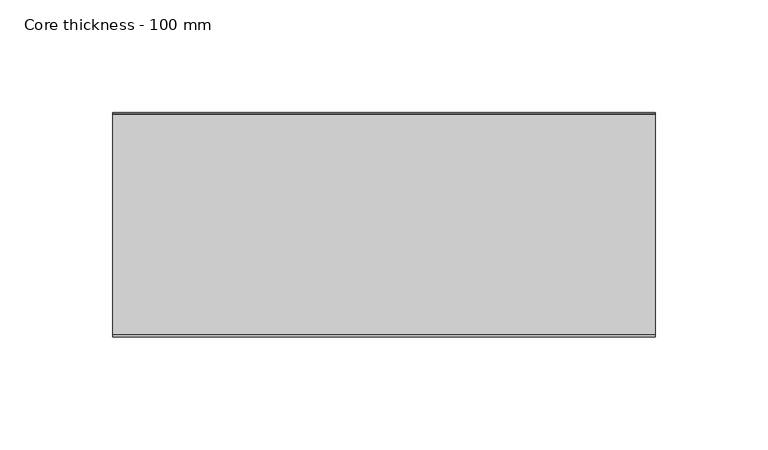
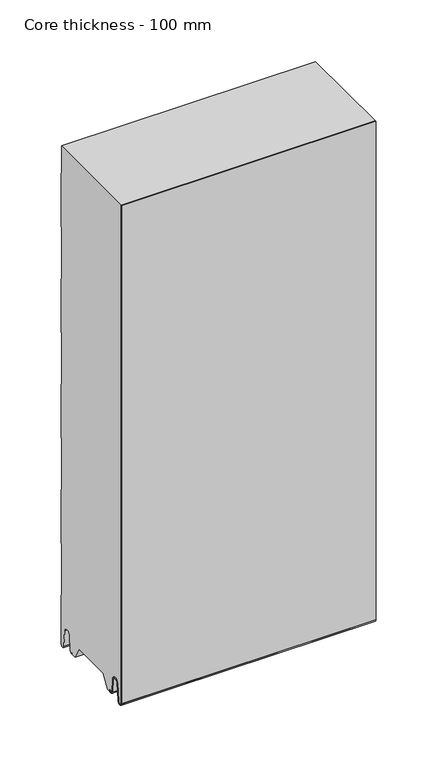
"""IFC4 building model written with IfcOpenShell, lengths in millimetres: plate geometry, Core thickness - 100 mm."""

from ifc_helpers import new_model, si_unit, frame, origin, place, context, project, spatial, polyline, circle_curve, source, transform, mapped, element, save
from ifc_brep_helpers import plane_surface, cylinder_surface, revolved_surface, advanced_brep


def core_thickness_100_mm_a18b3cf9(model_context):
    return source(origin(), model_context, "Body", "AdvancedBrep", [
        advanced_brep(
        [(119.9999998, -99.9996949, 3.0900682), (119.9999998, -93.81449, 2.7875612), (119.9999998, -92.197116, 19.2828169), (119.9999998, -89.1776715, 21.9898782), (119.9999998, -86.1582271, 19.2828169), (119.9999998, -84.7725998, 5.1510966), (119.9999998, -80.3830995, 5.365779), (119.9999998, -81.1830995, 5.365779), (119.9999998, -83.9764178, 5.2291629), (119.9999998, -85.3620451, 19.3608832), (119.9999998, -89.1776715, 22.7899182), (119.9999998, -92.9932979, 19.3608832), (119.9999998, -94.6106719, 2.8656275), (119.9999998, -99.1996949, 3.0900682), (119.9999998, -99.2, 500.0), (119.9999998, -99.9996949, 500.0), (-119.9999998, -99.1996949, 3.0900682), (-119.9999998, -94.6106719, 2.8656275), (-119.9999998, -92.9932979, 19.3608832), (-119.9999998, -89.1776715, 22.7899182), (-119.9999998, -85.3620451, 19.3608832), (-119.9999998, -83.9764178, 5.2291629), (-119.9999998, -81.1830995, 5.365779), (-119.9999998, -80.3830995, 5.365779), (-119.9999998, -84.7725998, 5.1510966), (-119.9999998, -86.1582271, 19.2828169), (-119.9999998, -89.1776715, 21.9898782), (-119.9999998, -92.197116, 19.2828169), (-119.9999998, -93.81449, 2.7875612), (-119.9999998, -99.9996949, 3.0900682), (-119.9999998, -99.9996949, 500.0), (-119.9999998, -99.2, 500.0)],
        [
            (0, 1, circle_curve(frame((119.9999998, -96.8996949, 3.0900682), z_axis=(1.0, 0.0, 0.0), x_axis=(0.0, 0.0, -1.0)), 3.1)),
            (1, 2),
            (2, 3, circle_curve(frame((119.9999998, -89.2114338, 18.9900682), z_axis=(-1.0, 0.0, 0.0), x_axis=(0.0, 0.0, -1.0)), 3.0)),
            (3, 4, circle_curve(frame((119.9999998, -89.1439093, 18.9900682), z_axis=(-1.0, 0.0, 0.0), x_axis=(0.0, 0.0, -1.0)), 3.0)),
            (4, 5),
            (5, 6, circle_curve(frame((119.9999998, -82.5830995, 5.365779), z_axis=(1.0, 0.0, 0.0), x_axis=(0.0, 0.0, -1.0)), 2.2)),
            (6, 7),
            (7, 8, circle_curve(frame((119.9999998, -82.5830995, 5.365779), z_axis=(-1.0, 0.0, 0.0), x_axis=(0.0, 0.0, -1.0)), 1.4)),
            (8, 9),
            (9, 10, circle_curve(frame((119.9999998, -89.1439093, 18.9900682), z_axis=(1.0, 0.0, 0.0), x_axis=(0.0, 0.0, -1.0)), 3.8)),
            (10, 11, circle_curve(frame((119.9999998, -89.2114338, 18.9900682), z_axis=(1.0, 0.0, 0.0), x_axis=(0.0, 0.0, -1.0)), 3.8)),
            (11, 12),
            (12, 13, circle_curve(frame((119.9999998, -96.8996949, 3.0900682), z_axis=(-1.0, 0.0, 0.0), x_axis=(0.0, 0.0, -1.0)), 2.3)),
            (13, 14),
            (14, 15),
            (15, 0),
            (16, 17, circle_curve(frame((-119.9999998, -96.8996949, 3.0900682), z_axis=(1.0, 0.0, 0.0), x_axis=(0.0, 0.0, -1.0)), 2.3)),
            (17, 18),
            (18, 19, circle_curve(frame((-119.9999998, -89.2114338, 18.9900682), z_axis=(-1.0, 0.0, 0.0), x_axis=(0.0, 0.0, -1.0)), 3.8)),
            (19, 20, circle_curve(frame((-119.9999998, -89.1439093, 18.9900682), z_axis=(-1.0, 0.0, 0.0), x_axis=(0.0, 0.0, -1.0)), 3.8)),
            (20, 21),
            (21, 22, circle_curve(frame((-119.9999998, -82.5830995, 5.365779), z_axis=(1.0, 0.0, 0.0), x_axis=(0.0, 0.0, -1.0)), 1.4)),
            (22, 23),
            (23, 24, circle_curve(frame((-119.9999998, -82.5830995, 5.365779), z_axis=(-1.0, 0.0, 0.0), x_axis=(0.0, 0.0, -1.0)), 2.2)),
            (24, 25),
            (25, 26, circle_curve(frame((-119.9999998, -89.1439093, 18.9900682), z_axis=(1.0, 0.0, 0.0), x_axis=(0.0, 0.0, -1.0)), 3.0)),
            (26, 27, circle_curve(frame((-119.9999998, -89.2114338, 18.9900682), z_axis=(1.0, 0.0, 0.0), x_axis=(0.0, 0.0, -1.0)), 3.0)),
            (27, 28),
            (28, 29, circle_curve(frame((-119.9999998, -96.8996949, 3.0900682), z_axis=(-1.0, 0.0, 0.0), x_axis=(0.0, 0.0, -1.0)), 3.1)),
            (29, 30),
            (30, 31),
            (31, 16),
            (13, 16),
            (31, 14),
            (12, 17),
            (11, 18),
            (10, 19),
            (9, 20),
            (8, 21),
            (7, 22),
            (6, 23),
            (5, 24),
            (4, 25),
            (3, 26),
            (2, 27),
            (1, 28),
            (0, 29),
            (15, 30),
        ],
        [
            plane_surface(frame((119.9999998, -100.0, 0.0), z_axis=(1.0, 0.0, 0.0), x_axis=(0.0, 1.0, 0.0))),
            plane_surface(frame((-119.9999998, -100.0, 0.0), z_axis=(-1.0, 0.0, 0.0), x_axis=(0.0, 1.0, 0.0))),
            plane_surface(frame((119.9999998, -99.2, 3.0900682), z_axis=(0.0, 1.0, 0.0), x_axis=(-1.0, 0.0, 0.0))),
            revolved_surface(polyline([(-119.9999998, -96.8996949, 0.7900682000000003), (119.9999998, -96.8996949, 0.7900682000000003)]), (119.9999998, -96.8996949, 3.0900682), (-1.0, 0.0, 0.0)),
            plane_surface(frame((119.9999998, -92.9932979, 19.3608832), z_axis=(0.0, -0.9952273999818314, 0.09758289975914787), x_axis=(-1.0, 0.0, 0.0))),
            cylinder_surface(frame((119.9999998, -89.2114338, 18.9900682), z_axis=(1.0, 0.0, 0.0), x_axis=(0.0, 0.0, -1.0)), 3.8),
            cylinder_surface(frame((119.9999998, -89.1439093, 18.9900682), z_axis=(1.0, 0.0, 0.0), x_axis=(0.0, 0.0, -1.0)), 3.8),
            plane_surface(frame((119.9999998, -83.9764178, 5.2291629), z_axis=(0.0, 0.9952273999818297, 0.09758289975916531), x_axis=(-1.0, 0.0, 0.0))),
            revolved_surface(polyline([(-119.9999998, -82.5830995, 3.965779), (119.9999998, -82.5830995, 3.965779)]), (119.9999998, -82.5830995, 5.365779), (-1.0, 0.0, 0.0)),
            plane_surface(frame((119.9999998, -80.3830995, 5.365779), z_axis=(0.0, 0.0, 1.0), x_axis=(-1.0, 0.0, 0.0))),
            cylinder_surface(frame((119.9999998, -82.5830995, 5.365779), z_axis=(1.0, 0.0, 0.0), x_axis=(0.0, 0.0, -1.0)), 2.2),
            plane_surface(frame((119.9999998, -86.1582271, 19.2828169), z_axis=(0.0, -0.9952273999818296, -0.09758289975916527), x_axis=(-1.0, 0.0, 0.0))),
            revolved_surface(polyline([(-119.9999998, -89.1439093, 15.9900682), (119.9999998, -89.1439093, 15.9900682)]), (119.9999998, -89.1439093, 18.9900682), (-1.0, 0.0, 0.0)),
            revolved_surface(polyline([(-119.9999998, -89.2114338, 15.9900682), (119.9999998, -89.2114338, 15.9900682)]), (119.9999998, -89.2114338, 18.9900682), (-1.0, 0.0, 0.0)),
            plane_surface(frame((119.9999998, -93.81449, 2.7875612), z_axis=(0.0, 0.9952273999818314, -0.09758289975914787), x_axis=(-1.0, 0.0, 0.0))),
            cylinder_surface(frame((119.9999998, -96.8996949, 3.0900682), z_axis=(1.0, 0.0, 0.0), x_axis=(0.0, 0.0, -1.0)), 3.1),
            plane_surface(frame((119.9999998, -99.9996949, 993.9000005), z_axis=(0.0, -1.0, 0.0), x_axis=(-1.0, 0.0, 0.0))),
            plane_surface(frame((-119.9999998, 134.0533409, 500.0), z_axis=(0.0, 0.0, 1.0), x_axis=(1.0, 0.0, 0.0))),
        ],
        [
            (0, [[1, 2, 3, 4, 5, 6, 7, 8, 9, 10, 11, 12, 13, 14, 15, 16]]),
            (1, [[17, 18, 19, 20, 21, 22, 23, 24, 25, 26, 27, 28, 29, 30, 31, 32]]),
            (2, [[33, -32, 34, -14]]),
            (3, [[-13, 35, -17, -33]]),
            (4, [[-12, 36, -18, -35]]),
            (5, [[-11, 37, -19, -36]]),
            (6, [[-10, 38, -20, -37]]),
            (7, [[-9, 39, -21, -38]]),
            (8, [[-8, 40, -22, -39]]),
            (9, [[-7, 41, -23, -40]]),
            (10, [[-6, 42, -24, -41]]),
            (11, [[-5, 43, -25, -42]]),
            (12, [[-4, 44, -26, -43]]),
            (13, [[-3, 45, -27, -44]]),
            (14, [[-2, 46, -28, -45]]),
            (15, [[-1, 47, -29, -46]]),
            (16, [[-47, -16, 48, -30]]),
            (17, [[-15, -34, -31, -48]]),
        ],
    ),
        advanced_brep(
        [(119.9999998, -69.873448, 15.1417681), (119.9999998, -30.126552, 15.1417681), (119.9999998, -23.4071318, 3.165779), (119.9999998, -17.4169005, 3.165779), (119.9999998, -19.6169005, 5.365779), (119.9999998, -18.8169005, 5.365779), (119.9999998, -16.0235822, 5.2291629), (119.9999998, -14.6379549, 19.3608832), (119.9999998, -10.8223285, 22.7899182), (119.9999998, -7.0067021, 19.3608832), (119.9999998, -5.3893281, 2.8656275), (119.9999998, -0.8003051, 3.0900682), (119.9999998, -0.8, 49.9459237), (119.9999998, -1.0986697, 50.9973395), (119.9999998, -1.5003051, 52.4177205), (119.9999998, -1.5003051, 102.5775037), (119.9999998, -1.0971009, 103.9969151), (119.9999998, -0.8, 105.0493005), (119.9999998, -0.8, 155.2090837), (119.9999998, -1.0986697, 156.2604995), (119.9999998, -1.5003051, 157.6808805), (119.9999998, -1.5003051, 207.8406637), (119.9999998, -1.0971009, 209.2600751), (119.9999998, -0.8, 210.3124605), (119.9999998, -0.8, 260.4722437), (119.9999998, -1.0986697, 261.5236595), (119.9999998, -1.5003051, 262.9440405), (119.9999998, -1.5003051, 313.1038237), (119.9999998, -1.0971009, 314.5232351), (119.9999998, -0.8, 315.5756205), (119.9999998, -0.8, 365.7354037), (119.9999998, -1.0986697, 366.7868195), (119.9999998, -1.5003051, 368.2072005), (119.9999998, -1.5003051, 418.3669837), (119.9999998, -1.0971009, 419.7863951), (119.9999998, -0.8, 420.8387805), (119.9999998, -0.8, 470.9985637), (119.9999998, -1.0986697, 472.0499795), (119.9999998, -1.5003051, 473.4703605), (119.9999998, -1.5003051, 500.0), (119.9999998, -99.2, 500.0), (119.9999998, -99.2, 3.0900682), (119.9999998, -94.6106719, 2.8656275), (119.9999998, -92.9932979, 19.3608832), (119.9999998, -89.1776715, 22.7899182), (119.9999998, -85.3620451, 19.3608832), (119.9999998, -83.9764178, 5.2291629), (119.9999998, -81.1830995, 5.365779), (119.9999998, -80.3830995, 5.365779), (119.9999998, -82.5830995, 3.165779), (119.9999998, -76.5928682, 3.165779), (-119.9999998, -30.126552, 15.1417681), (-119.9999998, -69.873448, 15.1417681), (-119.9999998, -76.5928682, 3.165779), (-119.9999998, -82.5830995, 3.165779), (-119.9999998, -80.3830995, 5.365779), (-119.9999998, -81.1830995, 5.365779), (-119.9999998, -83.9764178, 5.2291629), (-119.9999998, -85.3620451, 19.3608832), (-119.9999998, -89.1776715, 22.7899182), (-119.9999998, -92.9932979, 19.3608832), (-119.9999998, -94.6106719, 2.8656275), (-119.9999998, -99.1996949, 3.0900682), (-119.9999998, -99.2, 500.0), (-119.9999998, -1.5003051, 500.0), (-119.9999998, -1.5003051, 473.4703605), (-119.9999998, -1.0971009, 472.0509491), (-119.9999998, -0.8, 470.9985637), (-119.9999998, -0.8, 420.8387805), (-119.9999998, -1.0986697, 419.7873646), (-119.9999998, -1.5003051, 418.3669837), (-119.9999998, -1.5003051, 368.2072005), (-119.9999998, -1.0971009, 366.7877891), (-119.9999998, -0.8, 365.7354037), (-119.9999998, -0.8, 315.5756205), (-119.9999998, -1.0986697, 314.5242046), (-119.9999998, -1.5003051, 313.1038237), (-119.9999998, -1.5003051, 262.9440405), (-119.9999998, -1.0971009, 261.5246291), (-119.9999998, -0.8, 260.4722437), (-119.9999998, -0.8, 210.3124605), (-119.9999998, -1.0986697, 209.2610446), (-119.9999998, -1.5003051, 207.8406637), (-119.9999998, -1.5003051, 157.6808805), (-119.9999998, -1.0971009, 156.2614691), (-119.9999998, -0.8, 155.2090837), (-119.9999998, -0.8, 105.0493005), (-119.9999998, -1.0986697, 103.9978846), (-119.9999998, -1.5003051, 102.5775037), (-119.9999998, -1.5003051, 52.4177205), (-119.9999998, -1.0971009, 50.9983091), (-119.9999998, -0.8, 49.9459237), (-119.9999998, -0.8, 3.0900682), (-119.9999998, -5.3893281, 2.8656275), (-119.9999998, -7.0067021, 19.3608832), (-119.9999998, -10.8223285, 22.7899182), (-119.9999998, -14.6379549, 19.3608832), (-119.9999998, -16.0235822, 5.2291629), (-119.9999998, -18.8169005, 5.365779), (-119.9999998, -19.6169005, 5.365779), (-119.9999998, -17.4169005, 3.165779), (-119.9999998, -23.4071318, 3.165779)],
        [
            (0, 1),
            (1, 2),
            (2, 3),
            (3, 4, circle_curve(frame((119.9999998, -17.4169005, 5.365779), z_axis=(-1.0, 0.0, 0.0), x_axis=(0.0, 0.0, -1.0)), 2.2)),
            (4, 5),
            (5, 6, circle_curve(frame((119.9999998, -17.4169005, 5.365779), z_axis=(1.0, 0.0, 0.0), x_axis=(0.0, 0.0, -1.0)), 1.4)),
            (6, 7),
            (7, 8, circle_curve(frame((119.9999998, -10.8560907, 18.9900682), z_axis=(-1.0, 0.0, 0.0), x_axis=(0.0, 0.0, -1.0)), 3.8)),
            (8, 9, circle_curve(frame((119.9999998, -10.7885662, 18.9900682), z_axis=(-1.0, 0.0, 0.0), x_axis=(0.0, 0.0, -1.0)), 3.8)),
            (9, 10),
            (10, 11, circle_curve(frame((119.9999998, -3.1003051, 3.0900682), z_axis=(1.0, 0.0, 0.0), x_axis=(0.0, 0.0, -1.0)), 2.3)),
            (11, 12),
            (12, 13, circle_curve(frame((119.9999998, -2.8, 49.9459237), z_axis=(1.0, 0.0, 0.0), x_axis=(0.0, 0.0, -1.0)), 2.0)),
            (13, 14, circle_curve(frame((119.9999998, 1.1996949, 52.4177205), z_axis=(-1.0, 0.0, 0.0), x_axis=(0.0, 0.0, -1.0)), 2.7)),
            (14, 15),
            (15, 16, circle_curve(frame((119.9999998, 1.1996949, 102.5775037), z_axis=(-1.0, 0.0, 0.0), x_axis=(0.0, 0.0, -1.0)), 2.7)),
            (16, 17, circle_curve(frame((119.9999998, -2.8, 105.0493005), z_axis=(1.0, 0.0, 0.0), x_axis=(0.0, 0.0, -1.0)), 2.0)),
            (17, 18),
            (18, 19, circle_curve(frame((119.9999998, -2.8, 155.2090837), z_axis=(1.0, 0.0, 0.0), x_axis=(0.0, 0.0, -1.0)), 2.0)),
            (19, 20, circle_curve(frame((119.9999998, 1.1996949, 157.6808805), z_axis=(-1.0, 0.0, 0.0), x_axis=(0.0, 0.0, -1.0)), 2.7)),
            (20, 21),
            (21, 22, circle_curve(frame((119.9999998, 1.1996949, 207.8406637), z_axis=(-1.0, 0.0, 0.0), x_axis=(0.0, 0.0, -1.0)), 2.7)),
            (22, 23, circle_curve(frame((119.9999998, -2.8, 210.3124605), z_axis=(1.0, 0.0, 0.0), x_axis=(0.0, 0.0, -1.0)), 2.0)),
            (23, 24),
            (24, 25, circle_curve(frame((119.9999998, -2.8, 260.4722437), z_axis=(1.0, 0.0, 0.0), x_axis=(0.0, 0.0, -1.0)), 2.0)),
            (25, 26, circle_curve(frame((119.9999998, 1.1996949, 262.9440405), z_axis=(-1.0, 0.0, 0.0), x_axis=(0.0, 0.0, -1.0)), 2.7)),
            (26, 27),
            (27, 28, circle_curve(frame((119.9999998, 1.1996949, 313.1038237), z_axis=(-1.0, 0.0, 0.0), x_axis=(0.0, 0.0, -1.0)), 2.7)),
            (28, 29, circle_curve(frame((119.9999998, -2.8, 315.5756205), z_axis=(1.0, 0.0, 0.0), x_axis=(0.0, 0.0, -1.0)), 2.0)),
            (29, 30),
            (30, 31, circle_curve(frame((119.9999998, -2.8, 365.7354037), z_axis=(1.0, 0.0, 0.0), x_axis=(0.0, 0.0, -1.0)), 2.0)),
            (31, 32, circle_curve(frame((119.9999998, 1.1996949, 368.2072005), z_axis=(-1.0, 0.0, 0.0), x_axis=(0.0, 0.0, -1.0)), 2.7)),
            (32, 33),
            (33, 34, circle_curve(frame((119.9999998, 1.1996949, 418.3669837), z_axis=(-1.0, 0.0, 0.0), x_axis=(0.0, 0.0, -1.0)), 2.7)),
            (34, 35, circle_curve(frame((119.9999998, -2.8, 420.8387805), z_axis=(1.0, 0.0, 0.0), x_axis=(0.0, 0.0, -1.0)), 2.0)),
            (35, 36),
            (36, 37, circle_curve(frame((119.9999998, -2.8, 470.9985637), z_axis=(1.0, 0.0, 0.0), x_axis=(0.0, 0.0, -1.0)), 2.0)),
            (37, 38, circle_curve(frame((119.9999998, 1.1996949, 473.4703605), z_axis=(-1.0, 0.0, 0.0), x_axis=(0.0, 0.0, -1.0)), 2.7)),
            (38, 39),
            (39, 40),
            (40, 41),
            (41, 42, circle_curve(frame((119.9999998, -96.8996949, 3.0900682), z_axis=(1.0, 0.0, 0.0), x_axis=(0.0, 0.0, -1.0)), 2.3)),
            (42, 43),
            (43, 44, circle_curve(frame((119.9999998, -89.2114338, 18.9900682), z_axis=(-1.0, 0.0, 0.0), x_axis=(0.0, 0.0, -1.0)), 3.8)),
            (44, 45, circle_curve(frame((119.9999998, -89.1439093, 18.9900682), z_axis=(-1.0, 0.0, 0.0), x_axis=(0.0, 0.0, -1.0)), 3.8)),
            (45, 46),
            (46, 47, circle_curve(frame((119.9999998, -82.5830995, 5.365779), z_axis=(1.0, 0.0, 0.0), x_axis=(0.0, 0.0, -1.0)), 1.4)),
            (47, 48),
            (48, 49, circle_curve(frame((119.9999998, -82.5830995, 5.365779), z_axis=(-1.0, 0.0, 0.0), x_axis=(0.0, 0.0, -1.0)), 2.2)),
            (49, 50),
            (50, 0),
            (51, 52),
            (52, 53),
            (53, 54),
            (54, 55, circle_curve(frame((-119.9999998, -82.5830995, 5.365779), z_axis=(1.0, 0.0, 0.0), x_axis=(0.0, 0.0, -1.0)), 2.2)),
            (55, 56),
            (56, 57, circle_curve(frame((-119.9999998, -82.5830995, 5.365779), z_axis=(-1.0, 0.0, 0.0), x_axis=(0.0, 0.0, -1.0)), 1.4)),
            (57, 58),
            (58, 59, circle_curve(frame((-119.9999998, -89.1439093, 18.9900682), z_axis=(1.0, 0.0, 0.0), x_axis=(0.0, 0.0, -1.0)), 3.8)),
            (59, 60, circle_curve(frame((-119.9999998, -89.2114338, 18.9900682), z_axis=(1.0, 0.0, 0.0), x_axis=(0.0, 0.0, -1.0)), 3.8)),
            (60, 61),
            (61, 62, circle_curve(frame((-119.9999998, -96.8996949, 3.0900682), z_axis=(-1.0, 0.0, 0.0), x_axis=(0.0, 0.0, -1.0)), 2.3)),
            (62, 63),
            (63, 64),
            (64, 65),
            (65, 66, circle_curve(frame((-119.9999998, 1.1996949, 473.4703605), z_axis=(1.0, 0.0, 0.0), x_axis=(0.0, 0.0, -1.0)), 2.7)),
            (66, 67, circle_curve(frame((-119.9999998, -2.8, 470.9985637), z_axis=(-1.0, 0.0, 0.0), x_axis=(0.0, 0.0, -1.0)), 2.0)),
            (67, 68),
            (68, 69, circle_curve(frame((-119.9999998, -2.8, 420.8387805), z_axis=(-1.0, 0.0, 0.0), x_axis=(0.0, 0.0, -1.0)), 2.0)),
            (69, 70, circle_curve(frame((-119.9999998, 1.1996949, 418.3669837), z_axis=(1.0, 0.0, 0.0), x_axis=(0.0, 0.0, -1.0)), 2.7)),
            (70, 71),
            (71, 72, circle_curve(frame((-119.9999998, 1.1996949, 368.2072005), z_axis=(1.0, 0.0, 0.0), x_axis=(0.0, 0.0, -1.0)), 2.7)),
            (72, 73, circle_curve(frame((-119.9999998, -2.8, 365.7354037), z_axis=(-1.0, 0.0, 0.0), x_axis=(0.0, 0.0, -1.0)), 2.0)),
            (73, 74),
            (74, 75, circle_curve(frame((-119.9999998, -2.8, 315.5756205), z_axis=(-1.0, 0.0, 0.0), x_axis=(0.0, 0.0, -1.0)), 2.0)),
            (75, 76, circle_curve(frame((-119.9999998, 1.1996949, 313.1038237), z_axis=(1.0, 0.0, 0.0), x_axis=(0.0, 0.0, -1.0)), 2.7)),
            (76, 77),
            (77, 78, circle_curve(frame((-119.9999998, 1.1996949, 262.9440405), z_axis=(1.0, 0.0, 0.0), x_axis=(0.0, 0.0, -1.0)), 2.7)),
            (78, 79, circle_curve(frame((-119.9999998, -2.8, 260.4722437), z_axis=(-1.0, 0.0, 0.0), x_axis=(0.0, 0.0, -1.0)), 2.0)),
            (79, 80),
            (80, 81, circle_curve(frame((-119.9999998, -2.8, 210.3124605), z_axis=(-1.0, 0.0, 0.0), x_axis=(0.0, 0.0, -1.0)), 2.0)),
            (81, 82, circle_curve(frame((-119.9999998, 1.1996949, 207.8406637), z_axis=(1.0, 0.0, 0.0), x_axis=(0.0, 0.0, -1.0)), 2.7)),
            (82, 83),
            (83, 84, circle_curve(frame((-119.9999998, 1.1996949, 157.6808805), z_axis=(1.0, 0.0, 0.0), x_axis=(0.0, 0.0, -1.0)), 2.7)),
            (84, 85, circle_curve(frame((-119.9999998, -2.8, 155.2090837), z_axis=(-1.0, 0.0, 0.0), x_axis=(0.0, 0.0, -1.0)), 2.0)),
            (85, 86),
            (86, 87, circle_curve(frame((-119.9999998, -2.8, 105.0493005), z_axis=(-1.0, 0.0, 0.0), x_axis=(0.0, 0.0, -1.0)), 2.0)),
            (87, 88, circle_curve(frame((-119.9999998, 1.1996949, 102.5775037), z_axis=(1.0, 0.0, 0.0), x_axis=(0.0, 0.0, -1.0)), 2.7)),
            (88, 89),
            (89, 90, circle_curve(frame((-119.9999998, 1.1996949, 52.4177205), z_axis=(1.0, 0.0, 0.0), x_axis=(0.0, 0.0, -1.0)), 2.7)),
            (90, 91, circle_curve(frame((-119.9999998, -2.8, 49.9459237), z_axis=(-1.0, 0.0, 0.0), x_axis=(0.0, 0.0, -1.0)), 2.0)),
            (91, 92),
            (92, 93, circle_curve(frame((-119.9999998, -3.1003051, 3.0900682), z_axis=(-1.0, 0.0, 0.0), x_axis=(0.0, 0.0, -1.0)), 2.3)),
            (93, 94),
            (94, 95, circle_curve(frame((-119.9999998, -10.7885662, 18.9900682), z_axis=(1.0, 0.0, 0.0), x_axis=(0.0, 0.0, -1.0)), 3.8)),
            (95, 96, circle_curve(frame((-119.9999998, -10.8560907, 18.9900682), z_axis=(1.0, 0.0, 0.0), x_axis=(0.0, 0.0, -1.0)), 3.8)),
            (96, 97),
            (97, 98, circle_curve(frame((-119.9999998, -17.4169005, 5.365779), z_axis=(-1.0, 0.0, 0.0), x_axis=(0.0, 0.0, -1.0)), 1.4)),
            (98, 99),
            (99, 100, circle_curve(frame((-119.9999998, -17.4169005, 5.365779), z_axis=(1.0, 0.0, 0.0), x_axis=(0.0, 0.0, -1.0)), 2.2)),
            (100, 101),
            (101, 51),
            (1, 51),
            (101, 2),
            (0, 52),
            (50, 53),
            (99, 4),
            (3, 100),
            (98, 5),
            (97, 6),
            (96, 7),
            (95, 8),
            (94, 9),
            (93, 10),
            (92, 11),
            (91, 12),
            (90, 13),
            (89, 14),
            (88, 15),
            (87, 16),
            (86, 17),
            (85, 18),
            (84, 19),
            (83, 20),
            (82, 21),
            (81, 22),
            (80, 23),
            (79, 24),
            (78, 25),
            (77, 26),
            (76, 27),
            (75, 28),
            (74, 29),
            (73, 30),
            (72, 31),
            (71, 32),
            (70, 33),
            (69, 34),
            (68, 35),
            (67, 36),
            (66, 37),
            (65, 38),
            (64, 39),
            (62, 41),
            (40, 63),
            (61, 42),
            (60, 43),
            (59, 44),
            (58, 45),
            (57, 46),
            (56, 47),
            (55, 48),
            (54, 49),
        ],
        [
            plane_surface(frame((119.9999998, 0.0, 0.0), z_axis=(1.0, 0.0, 0.0), x_axis=(0.0, -1.0, 0.0))),
            plane_surface(frame((-119.9999998, 0.0, 0.0), z_axis=(-1.0, 0.0, 0.0), x_axis=(0.0, -1.0, 0.0))),
            plane_surface(frame((119.9999998, -30.126552, 15.1417681), z_axis=(0.0, -0.8721062992196836, -0.4893164649399687), x_axis=(-1.0, 0.0, 0.0))),
            plane_surface(frame((119.9999998, -69.873448, 15.1417681), z_axis=(0.0, 0.0, -1.0), x_axis=(-1.0, 0.0, 0.0))),
            plane_surface(frame((119.9999998, -76.8190247, 2.7627014), z_axis=(0.0, 0.8721062992196852, -0.48931646493996606), x_axis=(-1.0, 0.0, 0.0))),
            revolved_surface(polyline([(119.99999980000001, -17.4169005, 3.1657789999999997), (-119.99999980000001, -17.4169005, 3.1657789999999997)]), (249.9999998, -17.4169005, 5.365779), (1.0, 0.0, 0.0)),
            plane_surface(frame((249.9999998, -18.8169005, 5.365779), z_axis=(0.0, 0.0, -1.0), x_axis=(-1.0, 0.0, 0.0))),
            cylinder_surface(frame((249.9999998, -17.4169005, 5.365779), z_axis=(-1.0, 0.0, 0.0), x_axis=(0.0, 0.0, -1.0)), 1.4),
            plane_surface(frame((249.9999998, -14.6379549, 19.3608832), z_axis=(0.0, 0.9952273999818297, -0.09758289975916531), x_axis=(-1.0, 0.0, 0.0))),
            revolved_surface(polyline([(119.99999980000001, -10.8560907, 15.190068199999999), (-119.99999980000001, -10.8560907, 15.190068199999999)]), (249.9999998, -10.8560907, 18.9900682), (1.0, 0.0, 0.0)),
            revolved_surface(polyline([(119.99999980000001, -10.7885662, 15.190068199999999), (-119.99999980000001, -10.7885662, 15.190068199999999)]), (249.9999998, -10.7885662, 18.9900682), (1.0, 0.0, 0.0)),
            plane_surface(frame((249.9999998, -5.3893281, 2.8656275), z_axis=(0.0, -0.9952273999818314, -0.09758289975914787), x_axis=(-1.0, 0.0, 0.0))),
            cylinder_surface(frame((249.9999998, -3.1003051, 3.0900682), z_axis=(-1.0, 0.0, 0.0), x_axis=(0.0, 0.0, -1.0)), 2.3),
            plane_surface(frame((249.9999998, -0.8, 49.9459237), z_axis=(0.0, 1.0, 0.0), x_axis=(-1.0, 0.0, 0.0))),
            cylinder_surface(frame((249.9999998, -2.8, 49.9459237), z_axis=(-1.0, 0.0, 0.0), x_axis=(0.0, 0.0, -1.0)), 2.0),
            revolved_surface(polyline([(119.99999980000001, 1.1996949, 49.7177205), (-119.99999980000001, 1.1996949, 49.7177205)]), (249.9999998, 1.1996949, 52.4177205), (1.0, 0.0, 0.0)),
            plane_surface(frame((249.9999998, -1.5003051, 102.5775037), z_axis=(0.0, 1.0, 0.0), x_axis=(-1.0, 0.0, 0.0))),
            revolved_surface(polyline([(119.99999980000001, 1.1996949, 99.87750369999999), (-119.99999980000001, 1.1996949, 99.87750369999999)]), (249.9999998, 1.1996949, 102.5775037), (1.0, 0.0, 0.0)),
            cylinder_surface(frame((249.9999998, -2.8, 105.0493005), z_axis=(-1.0, 0.0, 0.0), x_axis=(0.0, 0.0, -1.0)), 2.0),
            plane_surface(frame((249.9999998, -0.8, 155.2090837), z_axis=(0.0, 1.0, 0.0), x_axis=(-1.0, 0.0, 0.0))),
            cylinder_surface(frame((249.9999998, -2.8, 155.2090837), z_axis=(-1.0, 0.0, 0.0), x_axis=(0.0, 0.0, -1.0)), 2.0),
            revolved_surface(polyline([(119.99999980000001, 1.1996949, 154.9808805), (-119.99999980000001, 1.1996949, 154.9808805)]), (249.9999998, 1.1996949, 157.6808805), (1.0, 0.0, 0.0)),
            plane_surface(frame((249.9999998, -1.5003051, 207.8406637), z_axis=(0.0, 1.0, 0.0), x_axis=(-1.0, 0.0, 0.0))),
            revolved_surface(polyline([(119.99999980000001, 1.1996949, 205.1406637), (-119.99999980000001, 1.1996949, 205.1406637)]), (249.9999998, 1.1996949, 207.8406637), (1.0, 0.0, 0.0)),
            cylinder_surface(frame((249.9999998, -2.8, 210.3124605), z_axis=(-1.0, 0.0, 0.0), x_axis=(0.0, 0.0, -1.0)), 2.0),
            plane_surface(frame((249.9999998, -0.8, 260.4722437), z_axis=(0.0, 1.0, 0.0), x_axis=(-1.0, 0.0, 0.0))),
            cylinder_surface(frame((249.9999998, -2.8, 260.4722437), z_axis=(-1.0, 0.0, 0.0), x_axis=(0.0, 0.0, -1.0)), 2.0),
            revolved_surface(polyline([(119.99999980000001, 1.1996949, 260.24404050000004), (-119.99999980000001, 1.1996949, 260.24404050000004)]), (249.9999998, 1.1996949, 262.9440405), (1.0, 0.0, 0.0)),
            plane_surface(frame((249.9999998, -1.5003051, 313.1038237), z_axis=(0.0, 1.0, 0.0), x_axis=(-1.0, 0.0, 0.0))),
            revolved_surface(polyline([(119.99999980000001, 1.1996949, 310.40382370000003), (-119.99999980000001, 1.1996949, 310.40382370000003)]), (249.9999998, 1.1996949, 313.1038237), (1.0, 0.0, 0.0)),
            cylinder_surface(frame((249.9999998, -2.8, 315.5756205), z_axis=(-1.0, 0.0, 0.0), x_axis=(0.0, 0.0, -1.0)), 2.0),
            plane_surface(frame((249.9999998, -0.8, 365.7354037), z_axis=(0.0, 1.0, 0.0), x_axis=(-1.0, 0.0, 0.0))),
            cylinder_surface(frame((249.9999998, -2.8, 365.7354037), z_axis=(-1.0, 0.0, 0.0), x_axis=(0.0, 0.0, -1.0)), 2.0),
            revolved_surface(polyline([(119.99999980000001, 1.1996949, 365.5072005), (-119.99999980000001, 1.1996949, 365.5072005)]), (249.9999998, 1.1996949, 368.2072005), (1.0, 0.0, 0.0)),
            plane_surface(frame((249.9999998, -1.5003051, 418.3669837), z_axis=(0.0, 1.0, 0.0), x_axis=(-1.0, 0.0, 0.0))),
            revolved_surface(polyline([(119.99999980000001, 1.1996949, 415.6669837), (-119.99999980000001, 1.1996949, 415.6669837)]), (249.9999998, 1.1996949, 418.3669837), (1.0, 0.0, 0.0)),
            cylinder_surface(frame((249.9999998, -2.8, 420.8387805), z_axis=(-1.0, 0.0, 0.0), x_axis=(0.0, 0.0, -1.0)), 2.0),
            plane_surface(frame((249.9999998, -0.8, 470.9985637), z_axis=(0.0, 1.0, 0.0), x_axis=(-1.0, 0.0, 0.0))),
            cylinder_surface(frame((249.9999998, -2.8, 470.9985637), z_axis=(-1.0, 0.0, 0.0), x_axis=(0.0, 0.0, -1.0)), 2.0),
            revolved_surface(polyline([(119.99999980000001, 1.1996949, 470.77036050000004), (-119.99999980000001, 1.1996949, 470.77036050000004)]), (249.9999998, 1.1996949, 473.4703605), (1.0, 0.0, 0.0)),
            plane_surface(frame((249.9999998, -1.5003051, 523.6301437), z_axis=(0.0, 1.0, 0.0), x_axis=(-1.0, 0.0, 0.0))),
            plane_surface(frame((249.9999998, -99.2, 3.0900682), z_axis=(0.0, -1.0, 0.0), x_axis=(-1.0, 0.0, 0.0))),
            cylinder_surface(frame((249.9999998, -96.8996949, 3.0900682), z_axis=(-1.0, 0.0, 0.0), x_axis=(0.0, 0.0, -1.0)), 2.3),
            plane_surface(frame((249.9999998, -92.9932979, 19.3608832), z_axis=(0.0, 0.9952273999818314, -0.09758289975914787), x_axis=(-1.0, 0.0, 0.0))),
            revolved_surface(polyline([(119.99999980000001, -89.2114338, 15.190068199999999), (-119.99999980000001, -89.2114338, 15.190068199999999)]), (249.9999998, -89.2114338, 18.9900682), (1.0, 0.0, 0.0)),
            revolved_surface(polyline([(119.99999980000001, -89.1439093, 15.190068199999999), (-119.99999980000001, -89.1439093, 15.190068199999999)]), (249.9999998, -89.1439093, 18.9900682), (1.0, 0.0, 0.0)),
            plane_surface(frame((249.9999998, -83.9764178, 5.2291629), z_axis=(0.0, -0.9952273999818297, -0.09758289975916531), x_axis=(-1.0, 0.0, 0.0))),
            cylinder_surface(frame((249.9999998, -82.5830995, 5.365779), z_axis=(-1.0, 0.0, 0.0), x_axis=(0.0, 0.0, -1.0)), 1.4),
            plane_surface(frame((249.9999998, -80.3830995, 5.365779), z_axis=(0.0, 0.0, -1.0), x_axis=(-1.0, 0.0, 0.0))),
            revolved_surface(polyline([(119.99999980000001, -82.5830995, 3.1657789999999997), (-119.99999980000001, -82.5830995, 3.1657789999999997)]), (249.9999998, -82.5830995, 5.365779), (1.0, 0.0, 0.0)),
            plane_surface(frame((-119.9999998, -82.5830995, 3.165779), z_axis=(0.0, 0.0, -1.0), x_axis=(1.0, 0.0, 0.0))),
            plane_surface(frame((-119.9999998, 134.0533409, 500.0), z_axis=(0.0, 0.0, 1.0), x_axis=(1.0, 0.0, 0.0))),
        ],
        [
            (0, [[1, 2, 3, 4, 5, 6, 7, 8, 9, 10, 11, 12, 13, 14, 15, 16, 17, 18, 19, 20, 21, 22, 23, 24, 25, 26, 27, 28, 29, 30, 31, 32, 33, 34, 35, 36, 37, 38, 39, 40, 41, 42, 43, 44, 45, 46, 47, 48, 49, 50, 51]]),
            (1, [[52, 53, 54, 55, 56, 57, 58, 59, 60, 61, 62, 63, 64, 65, 66, 67, 68, 69, 70, 71, 72, 73, 74, 75, 76, 77, 78, 79, 80, 81, 82, 83, 84, 85, 86, 87, 88, 89, 90, 91, 92, 93, 94, 95, 96, 97, 98, 99, 100, 101, 102]]),
            (2, [[103, -102, 104, -2]]),
            (3, [[-1, 105, -52, -103]]),
            (4, [[-105, -51, 106, -53]]),
            (5, [[107, -4, 108, -100]]),
            (6, [[-107, -99, 109, -5]]),
            (7, [[-109, -98, 110, -6]]),
            (8, [[-110, -97, 111, -7]]),
            (9, [[-111, -96, 112, -8]]),
            (10, [[-112, -95, 113, -9]]),
            (11, [[-113, -94, 114, -10]]),
            (12, [[-114, -93, 115, -11]]),
            (13, [[-115, -92, 116, -12]]),
            (14, [[-116, -91, 117, -13]]),
            (15, [[-117, -90, 118, -14]]),
            (16, [[-118, -89, 119, -15]]),
            (17, [[-119, -88, 120, -16]]),
            (18, [[-120, -87, 121, -17]]),
            (19, [[-121, -86, 122, -18]]),
            (20, [[-122, -85, 123, -19]]),
            (21, [[-123, -84, 124, -20]]),
            (22, [[-124, -83, 125, -21]]),
            (23, [[-125, -82, 126, -22]]),
            (24, [[-126, -81, 127, -23]]),
            (25, [[-127, -80, 128, -24]]),
            (26, [[-128, -79, 129, -25]]),
            (27, [[-129, -78, 130, -26]]),
            (28, [[-130, -77, 131, -27]]),
            (29, [[-131, -76, 132, -28]]),
            (30, [[-132, -75, 133, -29]]),
            (31, [[-133, -74, 134, -30]]),
            (32, [[-134, -73, 135, -31]]),
            (33, [[-135, -72, 136, -32]]),
            (34, [[-136, -71, 137, -33]]),
            (35, [[-137, -70, 138, -34]]),
            (36, [[-138, -69, 139, -35]]),
            (37, [[-139, -68, 140, -36]]),
            (38, [[-140, -67, 141, -37]]),
            (39, [[-141, -66, 142, -38]]),
            (40, [[-142, -65, 143, -39]]),
            (41, [[144, -41, 145, -63]]),
            (42, [[-144, -62, 146, -42]]),
            (43, [[-146, -61, 147, -43]]),
            (44, [[-147, -60, 148, -44]]),
            (45, [[-148, -59, 149, -45]]),
            (46, [[-149, -58, 150, -46]]),
            (47, [[-150, -57, 151, -47]]),
            (48, [[-151, -56, 152, -48]]),
            (49, [[-152, -55, 153, -49]]),
            (50, [[-3, -104, -101, -108]]),
            (50, [[-50, -153, -54, -106]]),
            (51, [[-143, -64, -145, -40]]),
        ],
    ),
    ])


if __name__ == "__main__":
    model = new_model("IFC4")
    model_context = context("Model", 3, world=origin())
    ifc_project = project(units=[si_unit("LENGTHUNIT", "METRE", prefix="MILLI")], contexts=[model_context])
    site = spatial("IfcSite", under=ifc_project)
    building = spatial("IfcBuilding", under=site)
    placement = place(None, origin())
    core_thickness_100_mm_shape = core_thickness_100_mm_a18b3cf9(model_context)
    element("IfcPlate", 1, ObjectType="Core thickness - 100 mm", at=placement, inside=building, context=model_context, shape_type="MappedRepresentation", body=[
        mapped(core_thickness_100_mm_shape, transform((0.0, 0.0, 0.0), x_axis=(1.0, 0.0, 0.0), y_axis=(0.0, 1.0, 0.0), z_axis=(0.0, 0.0, 1.0))),
    ])
    save(model, "model.ifc")
